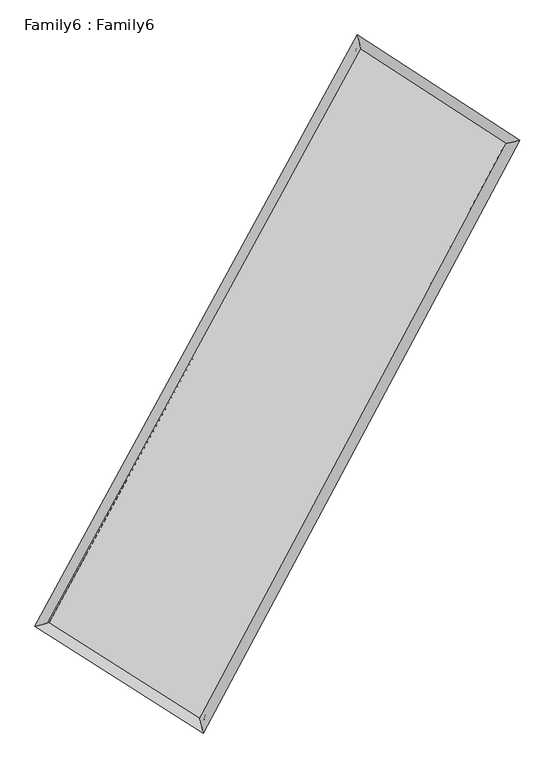
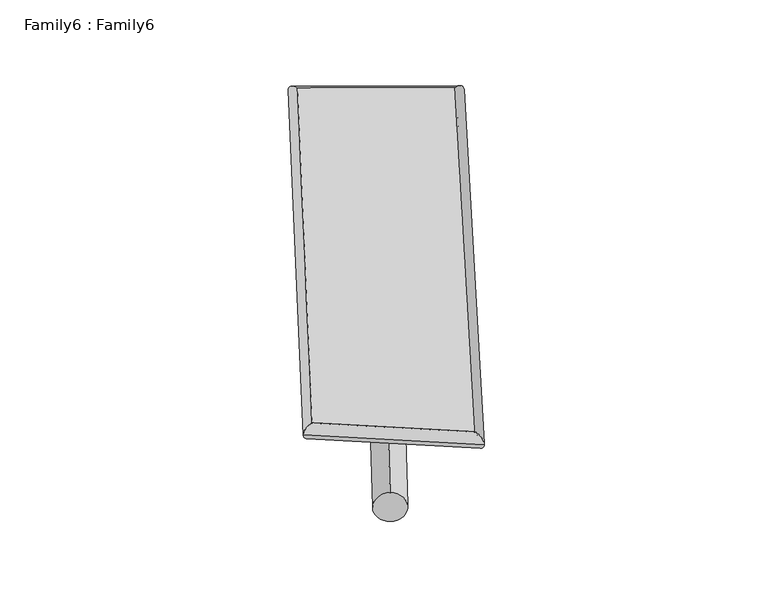
"""IFC4 building model written with IfcOpenShell, lengths in millimetres: plate geometry, Family6 : Family6."""

from ifc_helpers import new_model, si_unit, point, frame, origin, origin_2d, place, context, project, spatial, circle_curve, ellipse_curve, trimmed, segment, composite_curve, outline, extrude, source, transform, mapped, element, save
from ifc_brep_helpers import plane_surface, cylinder_surface, spline_surface, advanced_brep


def family6_family6_1e2e2937(model_context):
    return source(origin(), model_context, "Body", "SolidModel", [
        extrude(outline(composite_curve([segment(trimmed(circle_curve(origin_2d(), 76.2), [point((-75.4341514, -10.7763074))], [point((75.4341514, 10.7763074))], False, "CARTESIAN"), True, "CONTINUOUS"), segment(trimmed(circle_curve(origin_2d(), 76.2), [point((75.4341514, 10.7763074))], [point((-75.4341514, -10.7763074))], False, "CARTESIAN"), True, "CONTINUOUS")], self_intersect=False)), frame((9144.0, 9144.0, 0.0), z_axis=(0.6596348647194934, 0.693599189924489, 0.28948576645940405), x_axis=(-0.6867635591655129, 0.7127217936171781, -0.14277065071445794)), (0.0, 0.0, 1.0), 5447.1879321),
        extrude(outline(composite_curve([segment(trimmed(circle_curve(origin_2d(), 76.2), [point((-53.8815367, 53.8815367))], [point((53.8815367, -53.8815367))], False, "CARTESIAN"), True, "CONTINUOUS"), segment(trimmed(circle_curve(origin_2d(), 76.2), [point((53.8815367, -53.8815367))], [point((-53.8815367, 53.8815367))], False, "CARTESIAN"), True, "CONTINUOUS")], self_intersect=False)), frame((9144.0, 9144.0, 0.0), z_axis=(-0.665611972281019, -0.6884206645792467, 0.2881626119683822), x_axis=(0.6518961649917269, -0.3483567069060468, 0.6735569722173871)), (0.0, 0.0, 1.0), 5468.5428654),
        extrude(outline(composite_curve([segment(trimmed(circle_curve(origin_2d(), 76.2), [point((-53.8815368, -53.8815367))], [point((53.8815368, 53.8815367))], False, "CARTESIAN"), True, "CONTINUOUS"), segment(trimmed(circle_curve(origin_2d(), 76.2), [point((53.8815368, 53.8815367))], [point((-53.8815368, -53.8815367))], False, "CARTESIAN"), True, "CONTINUOUS")], self_intersect=False)), frame((9144.0, 9144.0, 0.0), z_axis=(0.22913399629284706, 0.9377875300340845, 0.26086808976078446), x_axis=(-0.8460307341619755, 0.3244036776749873, -0.42307712153257815)), (0.0, 0.0, 1.0), 5623.420099),
        extrude(outline(composite_curve([segment(trimmed(circle_curve(origin_2d(), 76.2), [point((-75.4341514, 10.7763073))], [point((75.4341514, -10.7763073))], False, "CARTESIAN"), True, "CONTINUOUS"), segment(trimmed(circle_curve(origin_2d(), 76.2), [point((75.4341514, -10.7763073))], [point((-75.4341514, 10.7763073))], False, "CARTESIAN"), True, "CONTINUOUS")], self_intersect=False)), frame((9144.0, 9144.0, 0.0), z_axis=(-0.2218127156479991, -0.9394785985579418, 0.26111124454620016), x_axis=(0.8945697120630167, -0.08951065053016145, 0.4378731251186341)), (0.0, 0.0, 1.0), 5623.1138933),
        advanced_brep(
        [(5302.5075605, 5327.4295104, 1567.9764439), (5302.1914288, 5327.0118539, 1585.3316806), (5705.6372352, 5431.2546622, 1583.6827476), (10487.3524264, 14200.4005442, 1478.064942), (10377.6810138, 14634.7459458, 1455.8767763), (5705.9533669, 5431.6723186, 1566.3275109), (12536.8108394, 12870.5707592, 1575.8074476), (12937.49931, 12973.7595149, 1577.9592995), (7839.6636259, 4077.8321095, 1470.3978506), (7953.780048, 3644.5775705, 1466.1186832)],
        [
            (0, 1, ellipse_curve(frame((5504.0723978, 5379.3420863, 1575.8295958), z_axis=(-0.25004972526206026, 0.9680515938886036, 0.018741570534573065), x_axis=(-0.9674452675867127, -0.25058012233415994, 0.03548600449573356)), 208.778637, 152.4)),
            (1, 2, ellipse_curve(frame((5504.0723978, 5379.3420863, 1575.8295958), z_axis=(-0.25004972526206026, 0.9680515938886036, 0.018741570534573065), x_axis=(-0.9674452675867127, -0.25058012233415994, 0.03548600449573356)), 208.778637, 152.4)),
            (2, 3),
            (3, 4, ellipse_curve(frame((10432.5167201, 14417.573245, 1466.9708592), z_axis=(-0.9690800411799709, -0.24579617598986148, -0.021635934354379167), x_axis=(0.24498513243051134, -0.9689146590334762, 0.034448053617691855)), 224.292835, 152.4)),
            (4, 0),
            (2, 5, ellipse_curve(frame((5504.0723978, 5379.3420863, 1575.8295958), z_axis=(-0.25004972526206026, 0.9680515938886036, 0.018741570534573065), x_axis=(-0.9674452675867127, -0.25058012233415994, 0.03548600449573356)), 208.778637, 152.4)),
            (5, 0, ellipse_curve(frame((5504.0723978, 5379.3420863, 1575.8295958), z_axis=(-0.25004972526206026, 0.9680515938886036, 0.018741570534573065), x_axis=(-0.9674452675867127, -0.25058012233415994, 0.03548600449573356)), 208.778637, 152.4)),
            (4, 3, ellipse_curve(frame((10432.5167201, 14417.573245, 1466.9708592), z_axis=(-0.9690800411799709, -0.24579617598986148, -0.021635934354379167), x_axis=(0.24498513243051134, -0.9689146590334762, 0.034448053617691855)), 224.292835, 152.4)),
            (3, 6),
            (6, 7, ellipse_curve(frame((12737.1550747, 12922.1651371, 1576.8833736), z_axis=(-0.24924117668737805, 0.968235618611847, -0.019965537679335895), x_axis=(-0.967566577834076, -0.2498392043299596, -0.0373535732993171)), 206.9742418, 152.4)),
            (7, 4),
            (7, 6, ellipse_curve(frame((12737.1550747, 12922.1651371, 1576.8833736), z_axis=(-0.24924117668737805, 0.968235618611847, -0.019965537679335895), x_axis=(-0.967566577834076, -0.2498392043299596, -0.0373535732993171)), 206.9742418, 152.4)),
            (6, 8),
            (8, 9, ellipse_curve(frame((7896.7218369, 3861.20484, 1468.2582669), z_axis=(0.9667737954220557, 0.2548406085695074, -0.020116975646359055), x_axis=(-0.2541089625060104, 0.9666096556524388, 0.03308184960960366)), 224.0979991, 152.4)),
            (9, 7),
            (9, 8, ellipse_curve(frame((7896.7218369, 3861.20484, 1468.2582669), z_axis=(0.9667737954220557, 0.2548406085695074, -0.020116975646359055), x_axis=(-0.2541089625060104, 0.9666096556524388, 0.03308184960960366)), 224.0979991, 152.4)),
            (8, 5),
            (1, 9),
        ],
        [
            cylinder_surface(frame((5504.0723978, 5379.3420863, 1575.8295958), z_axis=(-0.4787130709093994, -0.877907735308625, 0.010573742278573293), x_axis=(-0.8766119018365589, 0.47726718098653215, -0.06138087252279857)), 152.4),
            cylinder_surface(frame((10432.5167201, 14417.573245, 1466.9708592), z_axis=(-0.8382063776648937, 0.5438860334973872, -0.039975630181109445), x_axis=(0.5450763571083411, 0.8378623048659268, -0.029639888769310077)), 152.4),
            cylinder_surface(frame((12737.1550747, 12922.1651371, 1576.8833736), z_axis=(0.471162102091108, 0.8819832628263095, 0.010573440657888171), x_axis=(0.8820426669929426, -0.471162102091108, -0.002647103523771319)), 152.4),
            cylinder_surface(frame((7896.7218369, 3861.20484, 1468.2582669), z_axis=(0.8437655368161677, -0.5353696482343815, -0.03793492626484342), x_axis=(-0.5347019767266918, -0.8446145776368317, 0.026833026812586494)), 152.4),
        ],
        [
            (0, [[1, 2, 3, 4, 5]]),
            (0, [[6, 7, -5, 8, -3]]),
            (1, [[-4, 9, 10, 11]]),
            (1, [[-8, -11, 12, -9]]),
            (2, [[-10, 13, 14, 15]]),
            (2, [[-12, -15, 16, -13]]),
            (3, [[-14, 17, -6, -2, 18]]),
            (3, [[-16, -18, -1, -7, -17]]),
        ],
    ),
        extrude(outline(composite_curve([segment(trimmed(circle_curve(origin_2d(), 304.8), [point((0.0, -304.8))], [point((-1e-07, 304.7999999))], False, "CARTESIAN"), True, "CONTINUOUS"), segment(trimmed(circle_curve(origin_2d(), 304.8), [point((-1e-07, 304.7999999))], [point((0.0, -304.8))], False, "CARTESIAN"), True, "CONTINUOUS")], self_intersect=False)), frame((6642.6424295, 4636.9090866, -0.0850887), z_axis=(0.4852601435978251, 0.8743698260821526, 1.6507101206729198e-05), x_axis=(-0.8743698262275265, 0.4852601435978251, 4.2735634080838845e-06)), (0.0, 0.0, 1.0), 10309.3468666),
        advanced_brep(
        [(5504.0723978, 5379.3420863, 1575.8295958), (7896.7218369, 3861.20484, 1468.2582669), (7896.7507078, 3861.1937604, 1620.6582638), (5504.1012687, 5379.3310067, 1728.2295926), (12737.1550747, 12922.1651371, 1576.8833736), (12737.1839455, 12922.1540574, 1729.2833704), (10432.5167201, 14417.573245, 1466.9708592), (10432.545591, 14417.5621654, 1619.370856)],
        [
            (0, 1),
            (1, 2),
            (2, 3),
            (3, 0),
            (1, 4),
            (4, 5),
            (5, 2),
            (4, 6),
            (6, 7),
            (7, 5),
            (6, 0),
            (3, 7),
        ],
        [
            plane_surface(frame((6700.3971174, 4620.2734632, 1522.0439313), z_axis=(-0.5357539926160728, -0.8443741219313669, 4.010698461819062e-05), x_axis=(0.843765536816168, -0.5353696482343809, -0.03793492626484341))),
            plane_surface(frame((10316.9384558, 8391.6849885, 1522.5708202), z_axis=(0.8820335541005836, -0.47118655424278205, -0.0002013492159856486), x_axis=(0.4711621020911075, 0.8819832628263096, 0.010573440657888181))),
            plane_surface(frame((11584.8358974, 13669.869191, 1521.9271164), z_axis=(0.5443225473219602, 0.8388760115189852, -4.2129939944374195e-05), x_axis=(-0.8382063776648937, 0.543886033497387, -0.03997563018110942))),
            plane_surface(frame((7968.294559, 9898.4576657, 1521.4002275), z_axis=(-0.8779557803033313, 0.47874169170890796, 0.00020112598412278491), x_axis=(-0.4787130709093993, -0.877907735308625, 0.010573742278573314))),
            spline_surface(1, 1, [[(7896.7507078, 3861.1937604, 1620.6582638), (5504.1012687, 5379.3310067, 1728.2295926)], [(12737.1839455, 12922.1540574, 1729.2833704), (10432.545591, 14417.5621654, 1619.370856)]], [2, 2], [2, 2], [0.0, 1.0], [0.0, 1.0]),
            spline_surface(1, 1, [[(10432.5167201, 14417.573245, 1466.9708592), (5504.0723978, 5379.3420863, 1575.8295958)], [(12737.1550747, 12922.1651371, 1576.8833736), (7896.7218369, 3861.20484, 1468.2582669)]], [2, 2], [2, 2], [0.0, 1.0], [0.0, 1.0]),
        ],
        [
            (0, [[1, 2, 3, 4]]),
            (1, [[5, 6, 7, -2]]),
            (2, [[8, 9, 10, -6]]),
            (3, [[11, -4, 12, -9]]),
            (4, [[-3, -7, -10, -12]]),
            (5, [[-11, -8, -5, -1]]),
        ],
    ),
    ])


if __name__ == "__main__":
    model = new_model("IFC4")
    model_context = context("Model", 3, world=origin())
    ifc_project = project(units=[si_unit("LENGTHUNIT", "METRE", prefix="MILLI")], contexts=[model_context])
    site = spatial("IfcSite", under=ifc_project)
    building = spatial("IfcBuilding", under=site)
    placement = place(None, origin())
    family6_family6_shape = family6_family6_1e2e2937(model_context)
    element("IfcPlate", 1, ObjectType="Family6 : Family6", at=placement, inside=building, context=model_context, shape_type="MappedRepresentation", body=[
        mapped(family6_family6_shape, transform((0.0, 0.0, 0.0), x_axis=(1.0, 0.0, 0.0), y_axis=(0.0, 1.0, 0.0), z_axis=(0.0, 0.0, 1.0))),
    ])
    save(model, "model.ifc")
